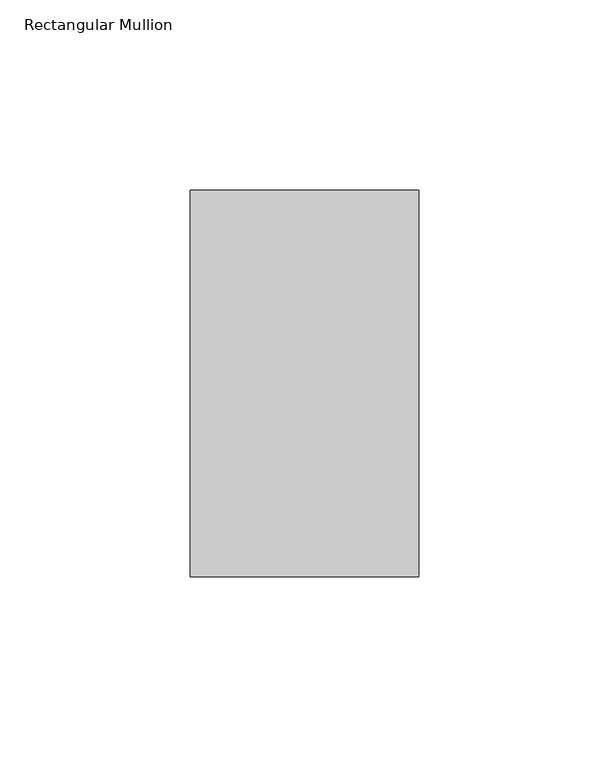
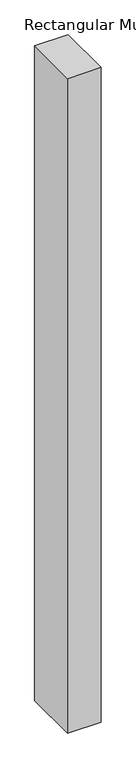
"""IFC4 building model written with IfcOpenShell, lengths in millimetres: member geometry, Rectangular Mullion."""

import ifcopenshell
import ifcopenshell.guid

model = None  # the IFC model being written
_history = None  # IfcOwnerHistory: only IFC2X3 demands one
_inside = {}  # id of a spatial element -> (the spatial element, [elements in it])
_under = {}  # id of a project, library or spatial element -> (it, [spatial elements below it])
_declared = {}  # id of a project -> (the project, [libraries it declares])
_typed = {}  # id of a type object -> (the type object, [elements of that type])
_made_of = {}  # id of a material, layer set ... -> (it, [elements and type objects made of it])


def new_model(schema):
    """Start an empty IFC model of exactly this schema.

    Asked for "IFC4X3", IfcOpenShell would pick the latest addendum, in which some entities
    have other attributes; the version numbers below select the first issue.
    IFC2X3 requires an IfcOwnerHistory on every rooted entity: one is made here for all.
    """
    global model, _history
    if schema == "IFC4X3":
        model = ifcopenshell.file(schema_version=(4, 3, 0, 0))
    else:
        model = ifcopenshell.file(schema=schema)
    _inside.clear()
    _under.clear()
    _declared.clear()
    _typed.clear()
    _made_of.clear()
    _history = None
    if model.schema == "IFC2X3":
        org = make("IfcOrganization", Name="unknown")
        user = make(
            "IfcPersonAndOrganization",
            ThePerson=make("IfcPerson", FamilyName="unknown"),
            TheOrganization=org,
        )
        app = make(
            "IfcApplication",
            ApplicationDeveloper=org,
            Version="unknown",
            ApplicationFullName="unknown",
            ApplicationIdentifier="unknown",
        )
        _history = make(
            "IfcOwnerHistory",
            OwningUser=user,
            OwningApplication=app,
            ChangeAction="ADDED",
            CreationDate=0,
        )
    return model


def make(cls, **values):
    """One entity of the class cls with the attributes given. An attribute that is None is left unset."""
    return model.create_entity(
        cls, **{name: value for name, value in values.items() if value is not None}
    )


def rooted(cls, **values):
    """An entity with a GlobalId (a new one), such as an element, a storey or a relation."""
    return make(cls, GlobalId=ifcopenshell.guid.new(), OwnerHistory=_history, **values)


def si_unit(unit_type, name, prefix=None):
    """IfcSIUnit, for example si_unit("LENGTHUNIT", "METRE", prefix="MILLI")."""
    return make("IfcSIUnit", UnitType=unit_type, Prefix=prefix, Name=name)


def assignment(units):
    """IfcUnitAssignment: the units of a project."""
    return None if units is None else make("IfcUnitAssignment", Units=units)


def point(xyz):
    """IfcCartesianPoint."""
    return None if xyz is None else make("IfcCartesianPoint", Coordinates=xyz)


def direction(xyz):
    """IfcDirection."""
    return None if xyz is None else make("IfcDirection", DirectionRatios=xyz)


def frame(location, z_axis=None, x_axis=None):
    """IfcAxis2Placement3D, a coordinate frame: its origin and axes. An axis left out is left unset."""
    return make(
        "IfcAxis2Placement3D",
        Location=point(location),
        Axis=direction(z_axis),
        RefDirection=direction(x_axis),
    )


def origin():
    """The frame at (0, 0, 0) with its axes left unset."""
    return frame((0.0, 0.0, 0.0))


def place(relative_to, where):
    """IfcLocalPlacement: puts the frame where relative to a parent placement (None: the world)."""
    return make(
        "IfcLocalPlacement", PlacementRelTo=relative_to, RelativePlacement=where
    )


def context(
    kind, dimensions, precision=None, world=None, true_north=None, identifier=None
):
    """IfcGeometricRepresentationContext, for example the 3D "Model" context."""
    return make(
        "IfcGeometricRepresentationContext",
        ContextIdentifier=identifier,
        ContextType=kind,
        CoordinateSpaceDimension=dimensions,
        Precision=precision,
        WorldCoordinateSystem=world,
        TrueNorth=true_north,
    )


def project(units=None, contexts=None):
    """IfcProject with its units and contexts."""
    return rooted(
        "IfcProject",
        Name="project",
        RepresentationContexts=contexts,
        UnitsInContext=assignment(units),
    )


def spatial(cls, under=None, at=None, **own):
    """A site, building, storey or space (cls), placed at a placement, below another one or the project."""
    s = rooted(cls, ObjectPlacement=at, **own)
    if under is not None:
        _under.setdefault(under.id(), (under, []))[1].append(s)
    return s


def polyline(points):
    """IfcPolyline through the points."""
    return make("IfcPolyline", Points=[point(p) for p in points])


def outline(outer, holes=None, kind="AREA"):
    """IfcArbitraryClosedProfileDef: a profile drawn as a closed curve; with holes, ...WithVoids."""
    if holes is None:
        return make("IfcArbitraryClosedProfileDef", ProfileType=kind, OuterCurve=outer)
    return make(
        "IfcArbitraryProfileDefWithVoids",
        ProfileType=kind,
        OuterCurve=outer,
        InnerCurves=holes,
    )


def extrude(swept, where, along, depth):
    """IfcExtrudedAreaSolid: the profile swept, set in the frame where, extruded along a direction by depth."""
    return make(
        "IfcExtrudedAreaSolid",
        SweptArea=swept,
        Position=where,
        ExtrudedDirection=direction(along),
        Depth=depth,
    )


def shape(context_of_items, identifier, shape_type, items):
    """IfcShapeRepresentation: the items that make up one representation, for example the "Body"."""
    return make(
        "IfcShapeRepresentation",
        ContextOfItems=context_of_items,
        RepresentationIdentifier=identifier,
        RepresentationType=shape_type,
        Items=items,
    )


def source(mapping_origin, context_of_items, identifier, shape_type, items):
    """IfcRepresentationMap: a shape defined once, which mapped items show again and again."""
    return make(
        "IfcRepresentationMap",
        MappingOrigin=mapping_origin,
        MappedRepresentation=shape(context_of_items, identifier, shape_type, items),
    )


def transform(
    local_origin,
    x_axis=None,
    y_axis=None,
    z_axis=None,
    scale=None,
    scale2=None,
    scale3=None,
    uniform=True,
):
    """IfcCartesianTransformationOperator3D, or its non-uniform kind. x_axis, y_axis, z_axis: its Axis1, 2, 3."""
    if uniform:
        return make(
            "IfcCartesianTransformationOperator3D",
            Axis1=direction(x_axis),
            Axis2=direction(y_axis),
            LocalOrigin=point(local_origin),
            Scale=scale,
            Axis3=direction(z_axis),
        )
    return make(
        "IfcCartesianTransformationOperator3DnonUniform",
        Axis1=direction(x_axis),
        Axis2=direction(y_axis),
        LocalOrigin=point(local_origin),
        Scale=scale,
        Axis3=direction(z_axis),
        Scale2=scale2,
        Scale3=scale3,
    )


def mapped(mapping_source, mapping_target):
    """IfcMappedItem: shows the shape of a source again, moved by a transform."""
    return make(
        "IfcMappedItem", MappingSource=mapping_source, MappingTarget=mapping_target
    )


def made_of(thing, what):
    """Note that an element or type object is made of a material, layer set ...; save() writes the relation."""
    if what is not None:
        _made_of.setdefault(what.id(), (what, []))[1].append(thing)
    return thing


def element(
    cls,
    number,
    at=None,
    inside=None,
    cuts=None,
    type_object=None,
    material=None,
    context=None,
    identifier="Body",
    shape_type=None,
    held_by="IfcProductDefinitionShape",
    body=None,
    shapes=None,
    **own,
):
    """One element of the class cls, such as IfcWall. Its Tag is "e" and its number.

    at: its placement. inside: the storey or other place that contains it. cuts: it is an
    opening in that element (IfcRelVoidsElement). A single representation is given by context,
    identifier, shape_type and body (its items); several are given by shapes. held_by: the class
    of the entity that holds the representations. save() writes the other relations.
    """
    e = rooted(cls, Tag="e%d" % number, ObjectPlacement=at, **own)
    if body is not None:
        shapes = [shape(context, identifier, shape_type, body)]
    if shapes is not None:
        e.Representation = make(held_by, Representations=shapes)
    if inside is not None:
        _inside.setdefault(inside.id(), (inside, []))[1].append(e)
    if cuts is not None:
        rooted(
            "IfcRelVoidsElement", RelatingBuildingElement=cuts, RelatedOpeningElement=e
        )
    if type_object is not None:
        _typed.setdefault(type_object.id(), (type_object, []))[1].append(e)
    return made_of(e, material)


def aggregate(whole, parts):
    """IfcRelAggregates: a whole, such as a stair, and the parts it consists of."""
    return rooted("IfcRelAggregates", RelatingObject=whole, RelatedObjects=parts)


def save(model, path):
    """Write the relations noted so far, then the file.

    IfcRelAggregates (storeys below a building ...), IfcRelContainedInSpatialStructure (elements
    in a storey), IfcRelDefinesByType, IfcRelAssociatesMaterial and IfcRelDeclares: one each for
    every whole, place, type object, material and project.
    """
    for whole, parts in _under.values():
        aggregate(whole, parts)
    for where, things in _inside.values():
        rooted(
            "IfcRelContainedInSpatialStructure",
            RelatedElements=things,
            RelatingStructure=where,
        )
    for kind, things in _typed.values():
        rooted("IfcRelDefinesByType", RelatedObjects=things, RelatingType=kind)
    for what, things in _made_of.values():
        rooted("IfcRelAssociatesMaterial", RelatedObjects=things, RelatingMaterial=what)
    for by, libraries in _declared.values():
        rooted("IfcRelDeclares", RelatingContext=by, RelatedDefinitions=libraries)
    model.write(path)


def rectangular_mullion_f45ef5fb(model_context):
    return source(origin(), model_context, "Body", "SweptSolid", [
        extrude(outline(polyline([(0.0, 50.8), (0.0, -50.8), (-60.0, -50.8), (-60.0, 50.8), (0.0, 50.8)])), frame((0.0, 0.0, -1240.0), z_axis=(0.0, 0.0, 1.0), x_axis=(1.0, 0.0, 0.0)), (0.0, 0.0, 1.0), 1240.0),
    ])


if __name__ == "__main__":
    model = new_model("IFC4")
    model_context = context("Model", 3, world=origin())
    ifc_project = project(units=[si_unit("LENGTHUNIT", "METRE", prefix="MILLI")], contexts=[model_context])
    site = spatial("IfcSite", under=ifc_project)
    building = spatial("IfcBuilding", under=site)
    placement = place(None, origin())
    rectangular_mullion_shape = rectangular_mullion_f45ef5fb(model_context)
    element("IfcMember", 1, ObjectType="Rectangular Mullion", at=placement, inside=building, context=model_context, shape_type="MappedRepresentation", body=[
        mapped(rectangular_mullion_shape, transform((0.0, 0.0, 0.0), x_axis=(1.0, 0.0, 0.0), y_axis=(0.0, 1.0, 0.0), z_axis=(0.0, 0.0, 1.0))),
    ])
    save(model, "model.ifc")
